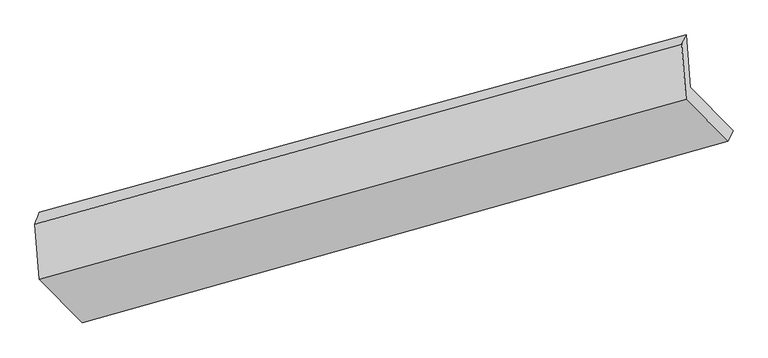
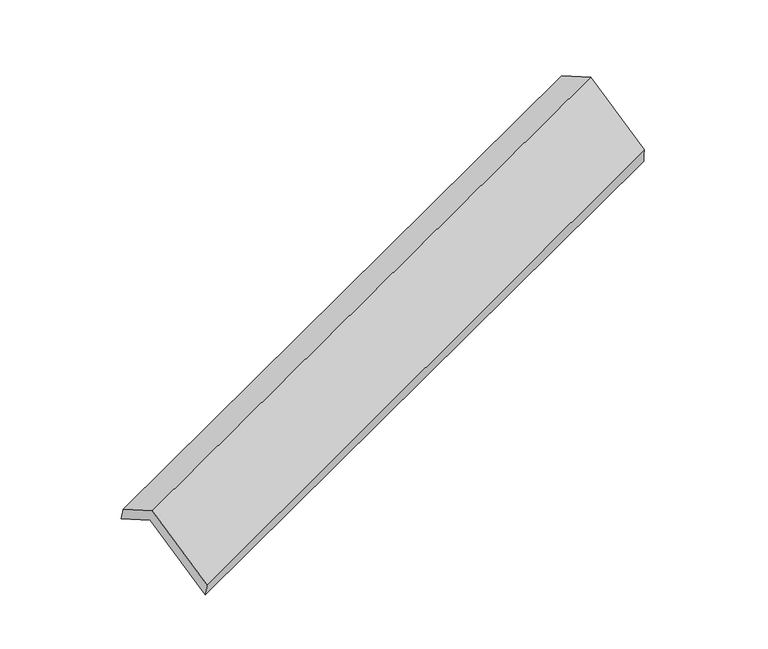
"""IFC4 building model written with IfcOpenShell, lengths in millimetres: proxy geometry."""

from ifc_helpers import new_model, si_unit, frame, origin, place, context, project, spatial, source, transform, mapped, element, save
from ifc_brep_helpers import plane_surface, spline_surface, advanced_brep


def generic_models_8ef88fb0(model_context):
    return source(origin(), model_context, "Body", "AdvancedBrep", [
        advanced_brep(
        [(-4978.1999671, -2062.3045394, 1369.3763068), (-5006.0099809, -1713.0263737, 1178.3821202), (-904.8007546, -588.7811464, 2658.0617492), (-878.3845233, -920.5541861, 2839.4836877), (-5032.8046037, -1789.0566706, 1311.8808577), (-932.9891599, -647.3063174, 2781.9882385), (-5005.1150057, -2136.8224818, 1502.0480504), (-905.2995619, -995.0721285, 2972.1554312), (-4733.3778795, -2414.2531802, 955.1335056), (-641.6647523, -1264.2307465, 2441.548098), (-4706.7002087, -2339.4928965, 822.9395028), (-606.8847649, -1197.7425432, 2293.0468836)],
        [
            (0, 1),
            (1, 2),
            (2, 3),
            (3, 0),
            (1, 4),
            (4, 5),
            (5, 2),
            (4, 6),
            (6, 7),
            (7, 5),
            (6, 8),
            (8, 9),
            (9, 7),
            (8, 10),
            (10, 11),
            (11, 9),
            (10, 0),
            (3, 11),
        ],
        [
            plane_surface(frame((-4992.104974, -1887.6654565, 1273.8792135), z_axis=(0.4071394636743399, -0.4130461754239987, -0.8146350803191441), x_axis=(-0.06968912485927499, 0.875256297720084, -0.47861241017934364))),
            spline_surface(1, 1, [[(-5006.0099809, -1713.0263737, 1178.3821202), (-904.8007546, -588.7811464, 2658.0617492)], [(-5032.8046037, -1789.0566706, 1311.8808577), (-932.9891599, -647.3063174, 2781.9882385)]], [2, 2], [2, 2], [0.0, 1.0], [0.0, 1.0]),
            plane_surface(frame((-5018.9598047, -1962.9395762, 1406.964454), z_axis=(-0.40713946367434073, 0.41304617542399774, 0.8146350803191443), x_axis=(0.06968912485927473, -0.8752562977200845, 0.47861241017934275))),
            plane_surface(frame((-4869.2464426, -2275.537831, 1228.590778), z_axis=(0.07171358371575537, -0.8746973129369673, 0.479334718804608), x_axis=(0.40511583208533597, -0.41360402162778503, -0.8153605802877206))),
            spline_surface(1, 1, [[(-4733.3778795, -2414.2531802, 955.1335056), (-641.6647523, -1264.2307465, 2441.548098)], [(-4706.7002087, -2339.4928965, 822.9395028), (-606.8847649, -1197.7425432, 2293.0468836)]], [2, 2], [2, 2], [0.0, 1.0], [0.0, 1.0]),
            plane_surface(frame((-4842.4500879, -2200.8987179, 1096.1579048), z_axis=(-0.07171358371575992, 0.8746973129369716, -0.4793347188045994), x_axis=(-0.4051158320853336, 0.4136040216277762, 0.8153605802877263))),
            plane_surface(frame((-811.6705861, -935.6145114, 2664.3806814), z_axis=(0.9116055004606721, 0.2507152300811968, 0.3257564810332715), x_axis=(0.20903707497328483, 0.3996119771926741, -0.8925322229313489))),
            plane_surface(frame((-4910.3679409, -2075.8260237, 1189.9600572), z_axis=(-0.9116055004606716, -0.2507152300811669, -0.3257564810332959), x_axis=(0.4051158320853416, -0.4136040216277851, -0.8153605802877179))),
        ],
        [
            (0, [[1, 2, 3, 4]]),
            (1, [[5, 6, 7, -2]]),
            (2, [[8, 9, 10, -6]]),
            (3, [[11, 12, 13, -9]]),
            (4, [[14, 15, 16, -12]]),
            (5, [[17, -4, 18, -15]]),
            (6, [[-16, -18, -3, -7, -10, -13]]),
            (7, [[-17, -14, -11, -8, -5, -1]]),
        ],
    ),
    ])


if __name__ == "__main__":
    model = new_model("IFC4")
    model_context = context("Model", 3, world=origin())
    ifc_project = project(units=[si_unit("LENGTHUNIT", "METRE", prefix="MILLI")], contexts=[model_context])
    site = spatial("IfcSite", under=ifc_project)
    building = spatial("IfcBuilding", under=site)
    placement = place(None, origin())
    generic_models_shape = generic_models_8ef88fb0(model_context)
    element("IfcBuildingElementProxy", 1, Name="Generic Models", at=placement, inside=building, context=model_context, shape_type="MappedRepresentation", body=[
        mapped(generic_models_shape, transform((0.0, 0.0, 0.0), x_axis=(1.0, 0.0, 0.0), y_axis=(0.0, 1.0, 0.0), z_axis=(0.0, 0.0, 1.0))),
    ])
    save(model, "model.ifc")
